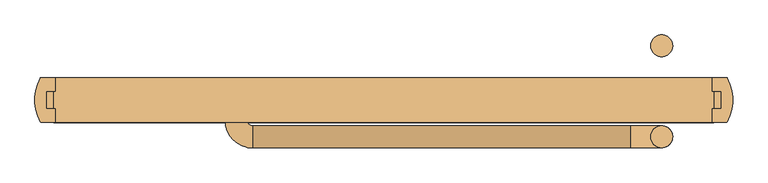
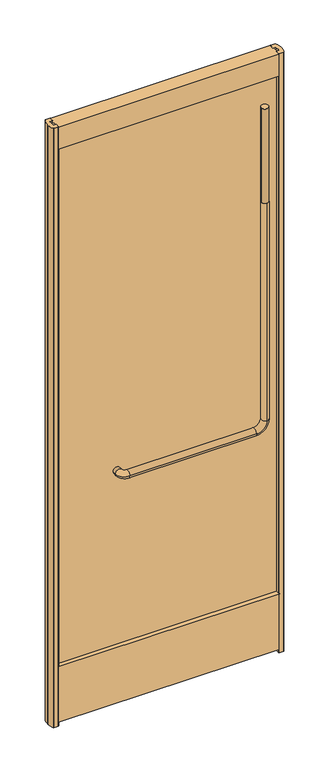
"""IFC4 building model written with IfcOpenShell, lengths in millimetres: door geometry."""

import ifcopenshell
import ifcopenshell.guid

model = None  # the IFC model being written
_history = None  # IfcOwnerHistory: only IFC2X3 demands one
_inside = {}  # id of a spatial element -> (the spatial element, [elements in it])
_under = {}  # id of a project, library or spatial element -> (it, [spatial elements below it])
_declared = {}  # id of a project -> (the project, [libraries it declares])
_typed = {}  # id of a type object -> (the type object, [elements of that type])
_made_of = {}  # id of a material, layer set ... -> (it, [elements and type objects made of it])


def new_model(schema):
    """Start an empty IFC model of exactly this schema.

    Asked for "IFC4X3", IfcOpenShell would pick the latest addendum, in which some entities
    have other attributes; the version numbers below select the first issue.
    IFC2X3 requires an IfcOwnerHistory on every rooted entity: one is made here for all.
    """
    global model, _history
    if schema == "IFC4X3":
        model = ifcopenshell.file(schema_version=(4, 3, 0, 0))
    else:
        model = ifcopenshell.file(schema=schema)
    _inside.clear()
    _under.clear()
    _declared.clear()
    _typed.clear()
    _made_of.clear()
    _history = None
    if model.schema == "IFC2X3":
        org = make("IfcOrganization", Name="unknown")
        user = make(
            "IfcPersonAndOrganization",
            ThePerson=make("IfcPerson", FamilyName="unknown"),
            TheOrganization=org,
        )
        app = make(
            "IfcApplication",
            ApplicationDeveloper=org,
            Version="unknown",
            ApplicationFullName="unknown",
            ApplicationIdentifier="unknown",
        )
        _history = make(
            "IfcOwnerHistory",
            OwningUser=user,
            OwningApplication=app,
            ChangeAction="ADDED",
            CreationDate=0,
        )
    return model


def make(cls, **values):
    """One entity of the class cls with the attributes given. An attribute that is None is left unset."""
    return model.create_entity(
        cls, **{name: value for name, value in values.items() if value is not None}
    )


def rooted(cls, **values):
    """An entity with a GlobalId (a new one), such as an element, a storey or a relation."""
    return make(cls, GlobalId=ifcopenshell.guid.new(), OwnerHistory=_history, **values)


def si_unit(unit_type, name, prefix=None):
    """IfcSIUnit, for example si_unit("LENGTHUNIT", "METRE", prefix="MILLI")."""
    return make("IfcSIUnit", UnitType=unit_type, Prefix=prefix, Name=name)


def assignment(units):
    """IfcUnitAssignment: the units of a project."""
    return None if units is None else make("IfcUnitAssignment", Units=units)


def point(xyz):
    """IfcCartesianPoint."""
    return None if xyz is None else make("IfcCartesianPoint", Coordinates=xyz)


def direction(xyz):
    """IfcDirection."""
    return None if xyz is None else make("IfcDirection", DirectionRatios=xyz)


def frame(location, z_axis=None, x_axis=None):
    """IfcAxis2Placement3D, a coordinate frame: its origin and axes. An axis left out is left unset."""
    return make(
        "IfcAxis2Placement3D",
        Location=point(location),
        Axis=direction(z_axis),
        RefDirection=direction(x_axis),
    )


def frame_2d(location, x_axis=None):
    """IfcAxis2Placement2D, a coordinate frame in the plane: its origin and x axis."""
    return make(
        "IfcAxis2Placement2D", Location=point(location), RefDirection=direction(x_axis)
    )


def origin():
    """The frame at (0, 0, 0) with its axes left unset."""
    return frame((0.0, 0.0, 0.0))


def origin_with_axes():
    """The frame at (0, 0, 0) with the z axis (0, 0, 1) and the x axis (1, 0, 0) written out."""
    return frame((0.0, 0.0, 0.0), z_axis=(0.0, 0.0, 1.0), x_axis=(1.0, 0.0, 0.0))


def place(relative_to, where):
    """IfcLocalPlacement: puts the frame where relative to a parent placement (None: the world)."""
    return make(
        "IfcLocalPlacement", PlacementRelTo=relative_to, RelativePlacement=where
    )


def context(
    kind, dimensions, precision=None, world=None, true_north=None, identifier=None
):
    """IfcGeometricRepresentationContext, for example the 3D "Model" context."""
    return make(
        "IfcGeometricRepresentationContext",
        ContextIdentifier=identifier,
        ContextType=kind,
        CoordinateSpaceDimension=dimensions,
        Precision=precision,
        WorldCoordinateSystem=world,
        TrueNorth=true_north,
    )


def project(units=None, contexts=None):
    """IfcProject with its units and contexts."""
    return rooted(
        "IfcProject",
        Name="project",
        RepresentationContexts=contexts,
        UnitsInContext=assignment(units),
    )


def spatial(cls, under=None, at=None, **own):
    """A site, building, storey or space (cls), placed at a placement, below another one or the project."""
    s = rooted(cls, ObjectPlacement=at, **own)
    if under is not None:
        _under.setdefault(under.id(), (under, []))[1].append(s)
    return s


def polyline(points):
    """IfcPolyline through the points."""
    return make("IfcPolyline", Points=[point(p) for p in points])


def circle_curve(where, radius):
    """IfcCircle in the frame where."""
    return make("IfcCircle", Position=where, Radius=radius)


def ellipse_curve(where, semi_axis1, semi_axis2):
    """IfcEllipse in the frame where."""
    return make(
        "IfcEllipse", Position=where, SemiAxis1=semi_axis1, SemiAxis2=semi_axis2
    )


def trimmed(basis, trim1, trim2, sense, master):
    """IfcTrimmedCurve: the piece of a basis curve between two trims."""
    return make(
        "IfcTrimmedCurve",
        BasisCurve=basis,
        Trim1=trim1,
        Trim2=trim2,
        SenseAgreement=sense,
        MasterRepresentation=master,
    )


def segment(curve, same_sense, transition):
    """IfcCompositeCurveSegment."""
    return make(
        "IfcCompositeCurveSegment",
        Transition=transition,
        SameSense=same_sense,
        ParentCurve=curve,
    )


def composite_curve(segments, self_intersect=None):
    """IfcCompositeCurve: segments joined end to end."""
    return make("IfcCompositeCurve", Segments=segments, SelfIntersect=self_intersect)


def outline(outer, holes=None, kind="AREA"):
    """IfcArbitraryClosedProfileDef: a profile drawn as a closed curve; with holes, ...WithVoids."""
    if holes is None:
        return make("IfcArbitraryClosedProfileDef", ProfileType=kind, OuterCurve=outer)
    return make(
        "IfcArbitraryProfileDefWithVoids",
        ProfileType=kind,
        OuterCurve=outer,
        InnerCurves=holes,
    )


def extrude(swept, where, along, depth):
    """IfcExtrudedAreaSolid: the profile swept, set in the frame where, extruded along a direction by depth."""
    return make(
        "IfcExtrudedAreaSolid",
        SweptArea=swept,
        Position=where,
        ExtrudedDirection=direction(along),
        Depth=depth,
    )


def shape(context_of_items, identifier, shape_type, items):
    """IfcShapeRepresentation: the items that make up one representation, for example the "Body"."""
    return make(
        "IfcShapeRepresentation",
        ContextOfItems=context_of_items,
        RepresentationIdentifier=identifier,
        RepresentationType=shape_type,
        Items=items,
    )


def source(mapping_origin, context_of_items, identifier, shape_type, items):
    """IfcRepresentationMap: a shape defined once, which mapped items show again and again."""
    return make(
        "IfcRepresentationMap",
        MappingOrigin=mapping_origin,
        MappedRepresentation=shape(context_of_items, identifier, shape_type, items),
    )


def transform(
    local_origin,
    x_axis=None,
    y_axis=None,
    z_axis=None,
    scale=None,
    scale2=None,
    scale3=None,
    uniform=True,
):
    """IfcCartesianTransformationOperator3D, or its non-uniform kind. x_axis, y_axis, z_axis: its Axis1, 2, 3."""
    if uniform:
        return make(
            "IfcCartesianTransformationOperator3D",
            Axis1=direction(x_axis),
            Axis2=direction(y_axis),
            LocalOrigin=point(local_origin),
            Scale=scale,
            Axis3=direction(z_axis),
        )
    return make(
        "IfcCartesianTransformationOperator3DnonUniform",
        Axis1=direction(x_axis),
        Axis2=direction(y_axis),
        LocalOrigin=point(local_origin),
        Scale=scale,
        Axis3=direction(z_axis),
        Scale2=scale2,
        Scale3=scale3,
    )


def mapped(mapping_source, mapping_target):
    """IfcMappedItem: shows the shape of a source again, moved by a transform."""
    return make(
        "IfcMappedItem", MappingSource=mapping_source, MappingTarget=mapping_target
    )


def made_of(thing, what):
    """Note that an element or type object is made of a material, layer set ...; save() writes the relation."""
    if what is not None:
        _made_of.setdefault(what.id(), (what, []))[1].append(thing)
    return thing


def element(
    cls,
    number,
    at=None,
    inside=None,
    cuts=None,
    type_object=None,
    material=None,
    context=None,
    identifier="Body",
    shape_type=None,
    held_by="IfcProductDefinitionShape",
    body=None,
    shapes=None,
    **own,
):
    """One element of the class cls, such as IfcWall. Its Tag is "e" and its number.

    at: its placement. inside: the storey or other place that contains it. cuts: it is an
    opening in that element (IfcRelVoidsElement). A single representation is given by context,
    identifier, shape_type and body (its items); several are given by shapes. held_by: the class
    of the entity that holds the representations. save() writes the other relations.
    """
    e = rooted(cls, Tag="e%d" % number, ObjectPlacement=at, **own)
    if body is not None:
        shapes = [shape(context, identifier, shape_type, body)]
    if shapes is not None:
        e.Representation = make(held_by, Representations=shapes)
    if inside is not None:
        _inside.setdefault(inside.id(), (inside, []))[1].append(e)
    if cuts is not None:
        rooted(
            "IfcRelVoidsElement", RelatingBuildingElement=cuts, RelatedOpeningElement=e
        )
    if type_object is not None:
        _typed.setdefault(type_object.id(), (type_object, []))[1].append(e)
    return made_of(e, material)


def aggregate(whole, parts):
    """IfcRelAggregates: a whole, such as a stair, and the parts it consists of."""
    return rooted("IfcRelAggregates", RelatingObject=whole, RelatedObjects=parts)


def save(model, path):
    """Write the relations noted so far, then the file.

    IfcRelAggregates (storeys below a building ...), IfcRelContainedInSpatialStructure (elements
    in a storey), IfcRelDefinesByType, IfcRelAssociatesMaterial and IfcRelDeclares: one each for
    every whole, place, type object, material and project.
    """
    for whole, parts in _under.values():
        aggregate(whole, parts)
    for where, things in _inside.values():
        rooted(
            "IfcRelContainedInSpatialStructure",
            RelatedElements=things,
            RelatingStructure=where,
        )
    for kind, things in _typed.values():
        rooted("IfcRelDefinesByType", RelatedObjects=things, RelatingType=kind)
    for what, things in _made_of.values():
        rooted("IfcRelAssociatesMaterial", RelatedObjects=things, RelatingMaterial=what)
    for by, libraries in _declared.values():
        rooted("IfcRelDeclares", RelatingContext=by, RelatedDefinitions=libraries)
    model.write(path)


def plane_surface(at):
    """IfcPlane: the flat surface through the origin of the frame at, square to its z axis."""
    return make("IfcPlane", Position=at)


def cylinder_surface(at, radius):
    """IfcCylindricalSurface: all points at the distance radius from the z axis of the frame at."""
    return make("IfcCylindricalSurface", Position=at, Radius=radius)


def revolved_surface(curve, axis_point, axis_direction):
    """IfcSurfaceOfRevolution: the curve turned about the line through axis_point along axis_direction."""
    return make(
        "IfcSurfaceOfRevolution",
        SweptCurve=make("IfcArbitraryOpenProfileDef", ProfileType="CURVE", Curve=curve),
        AxisPosition=make("IfcAxis1Placement", Location=point(axis_point), Axis=direction(axis_direction)),
    )


def advanced_brep(points, edges, surfaces, faces):
    """IfcAdvancedBrep: a solid bounded by faces that lie on surfaces and meet in shared edges.

    An edge is (start, end): straight between two places in points (the first is 0);
    or (start, end, curve); or (start, end, curve, False) where it runs against its curve.
    A face is (place in surfaces, loops), or (place, loops, False) where it looks against
    its surface's normal. A loop lists edges by number (the first is 1), with a minus sign
    where the edge is run from its end to its start. The first loop is the outer one.
    """
    corners = [point(p) for p in points]
    vertices = [make("IfcVertexPoint", VertexGeometry=c) for c in corners]
    made = []
    for start, end, *more in edges:
        made.append(
            make(
                "IfcEdgeCurve",
                EdgeStart=vertices[start],
                EdgeEnd=vertices[end],
                EdgeGeometry=more[0] if more else make("IfcPolyline", Points=[corners[start], corners[end]]),
                SameSense=more[1] if len(more) > 1 else True,
            )
        )
    hull = []
    for where, loops, *sense in faces:
        bounds = []
        for j, loop in enumerate(loops):
            ring = [make("IfcOrientedEdge", EdgeElement=made[abs(k) - 1], Orientation=k > 0) for k in loop]
            bounds.append(
                make(
                    "IfcFaceOuterBound" if j == 0 else "IfcFaceBound",
                    Bound=make("IfcEdgeLoop", EdgeList=ring),
                    Orientation=True,
                )
            )
        hull.append(make("IfcAdvancedFace", Bounds=bounds, FaceSurface=surfaces[where], SameSense=sense[0] if sense else True))
    return make("IfcAdvancedBrep", Outer=make("IfcClosedShell", CfsFaces=hull))


def door_9bfd4954(model_context):
    return source(origin(), model_context, "Body", "SolidModel", [
        extrude(outline(composite_curve([segment(trimmed(circle_curve(frame_2d((403.67585, -53.1813703)), 15.875), [point((387.80085, -53.1813703))], [point((419.55085, -53.1813703))], False, "CARTESIAN"), True, "CONTINUOUS"), segment(trimmed(circle_curve(frame_2d((403.67585, -53.1813703)), 15.875), [point((419.55085, -53.1813703))], [point((387.80085, -53.1813703))], False, "CARTESIAN"), True, "CONTINUOUS")], self_intersect=False)), frame((0.0, 0.0, 2108.2), z_axis=(0.0, 0.0, 1.0), x_axis=(1.0, 0.0, 0.0)), (0.0, 0.0, 1.0), 431.8),
        extrude(outline(composite_curve([segment(trimmed(circle_curve(frame_2d((403.67585, 78.58125)), 15.875), [point((387.80085, 78.58125))], [point((419.55085, 78.58125))], False, "CARTESIAN"), True, "CONTINUOUS"), segment(trimmed(circle_curve(frame_2d((403.67585, 78.58125)), 15.875), [point((419.55085, 78.58125))], [point((387.80085, 78.58125))], False, "CARTESIAN"), True, "CONTINUOUS")], self_intersect=False)), frame((0.0, 0.0, 104.5539297), z_axis=(0.0, 0.0, 1.0), x_axis=(1.0, 0.0, 0.0)), (0.0, 0.0, 1.0), 2435.4460703),
        advanced_brep(
        [(-190.4570099, -37.3063703, 1066.8), (359.22585, -37.3063703, 1066.8), (359.22585, -69.0563703, 1066.8), (-190.4570099, -69.0563703, 1066.8), (403.67585, -69.0563703, 1111.25), (403.67585, -37.3063703, 1111.25), (403.67585, -69.0563703, 2108.2), (403.67585, -37.3063703, 2108.2), (-198.5173808, 0.0, 1066.8), (-230.2673808, 0.0, 1066.8), (-230.2673808, -29.2459994, 1066.8), (-198.5173808, -29.2459994, 1066.8)],
        [
            (0, 1),
            (1, 2, circle_curve(frame((359.22585, -53.1813703, 1066.8), z_axis=(-1.0, 0.0, 0.0), x_axis=(0.0, -1.0, 0.0)), 15.875)),
            (2, 3),
            (3, 0, circle_curve(frame((-190.4570099, -53.1813703, 1066.8), z_axis=(1.0, 0.0, 0.0), x_axis=(0.0, -1.0, 0.0)), 15.875)),
            (4, 5, circle_curve(frame((403.67585, -53.1813703, 1111.25), z_axis=(0.0, 0.0, -1.0), x_axis=(0.0, -1.0, 0.0)), 15.875)),
            (5, 1, circle_curve(frame((359.22585, -37.3063703, 1111.25), z_axis=(0.0, 1.0, 0.0), x_axis=(0.0, 0.0, -1.0)), 44.45)),
            (1, 2, circle_curve(frame((359.22585, -53.1813703, 1066.8), z_axis=(1.0, 0.0, 0.0), x_axis=(0.0, -1.0, 0.0)), 15.875)),
            (2, 4, circle_curve(frame((359.22585, -69.0563703, 1111.25), z_axis=(0.0, -1.0, 0.0), x_axis=(0.0, 0.0, -1.0)), 44.45)),
            (4, 6),
            (6, 7, circle_curve(frame((403.67585, -53.1813703, 2108.2), z_axis=(0.0, 0.0, -1.0), x_axis=(0.0, -1.0, 0.0)), 15.875)),
            (7, 5),
            (7, 6, circle_curve(frame((403.67585, -53.1813703, 2108.2), z_axis=(0.0, 0.0, -1.0), x_axis=(0.0, -1.0, 0.0)), 15.875)),
            (4, 5, circle_curve(frame((403.67585, -53.1813703, 1111.25), z_axis=(0.0, 0.0, 1.0), x_axis=(0.0, -1.0, 0.0)), 15.875)),
            (8, 9, circle_curve(frame((-214.3923808, 0.0, 1066.8), z_axis=(0.0, 1.0, 0.0), x_axis=(-1.0, 0.0, 0.0)), 15.875)),
            (9, 8, circle_curve(frame((-214.3923808, 0.0, 1066.8), z_axis=(0.0, 1.0, 0.0), x_axis=(-1.0, 0.0, 0.0)), 15.875)),
            (9, 10),
            (10, 11, circle_curve(frame((-214.3923808, -29.2459994, 1066.8), z_axis=(0.0, 1.0, 0.0), x_axis=(-1.0, 0.0, 0.0)), 15.875)),
            (11, 8),
            (11, 10, circle_curve(frame((-214.3923808, -29.2459994, 1066.8), z_axis=(0.0, 1.0, 0.0), x_axis=(-1.0, 0.0, 0.0)), 15.875)),
            (3, 0, circle_curve(frame((-190.4570099, -53.1813703, 1066.8), z_axis=(-1.0, 0.0, 0.0), x_axis=(0.0, -1.0, 0.0)), 15.875)),
            (0, 11, circle_curve(frame((-190.4570099, -29.2459994, 1066.8), z_axis=(0.0, 0.0, -1.0), x_axis=(-1.0, 0.0, 0.0)), 8.0603709)),
            (10, 3, circle_curve(frame((-190.4570099, -29.2459994, 1066.8), z_axis=(0.0, 0.0, 1.0), x_axis=(-1.0, 0.0, 0.0)), 39.8103709)),
        ],
        [
            cylinder_surface(frame((-190.4570099, -53.1813703, 1066.8), z_axis=(-1.0, 0.0, 0.0), x_axis=(0.0, -1.0, 0.0)), 15.875),
            revolved_surface(trimmed(ellipse_curve(frame((359.22585, -53.1813703, 1066.8), z_axis=(1.0, 0.0, 0.0), x_axis=(0.0, -1.0, 0.0)), 15.875, 15.875), [point((359.22585, -37.3063703, 1066.8))], [point((359.22585, -69.0563703, 1066.8))], True, "CARTESIAN"), (359.22585, -53.18125, 1111.25), (0.0, 1.0, 0.0)),
            cylinder_surface(frame((403.67585, -53.1813703, 1111.25), z_axis=(0.0, 0.0, -1.0), x_axis=(0.0, -1.0, 0.0)), 15.875),
            plane_surface(frame((-230.2673808, 0.0, 1066.8), z_axis=(0.0, 1.0, 0.0), x_axis=(0.0, 0.0, 1.0))),
            plane_surface(frame((403.67585, -37.3061297, 2108.2), z_axis=(0.0, 0.0, 1.0), x_axis=(1.0, 0.0, 0.0))),
            cylinder_surface(frame((-214.3923808, 0.0, 1066.8), z_axis=(0.0, 1.0, 0.0), x_axis=(-1.0, 0.0, 0.0)), 15.875),
            revolved_surface(trimmed(ellipse_curve(frame((-214.3923808, -29.2459994, 1066.8), z_axis=(0.0, -1.0, 0.0), x_axis=(-1.0, 0.0, 0.0)), 15.875, 15.875), [point((-198.5173808, -29.2459994, 1066.8))], [point((-230.2673808, -29.2459994, 1066.8))], True, "CARTESIAN"), (-190.4570099, -29.2459994, 1066.8), (0.0, 0.0, -1.0)),
            revolved_surface(trimmed(ellipse_curve(frame((-214.3923808, -29.2459994, 1066.8), z_axis=(0.0, -1.0, 0.0), x_axis=(-1.0, 0.0, 0.0)), 15.875, 15.875), [point((-230.2673808, -29.2459994, 1066.8))], [point((-198.5173808, -29.2459994, 1066.8))], True, "CARTESIAN"), (-190.4570099, -29.2459994, 1066.8), (0.0, 0.0, -1.0)),
            revolved_surface(trimmed(ellipse_curve(frame((359.22585, -53.1813703, 1066.8), z_axis=(1.0, 0.0, 0.0), x_axis=(0.0, -1.0, 0.0)), 15.875, 15.875), [point((359.22585, -69.0563703, 1066.8))], [point((359.22585, -37.3063703, 1066.8))], True, "CARTESIAN"), (359.22585, -53.18125, 1111.25), (0.0, 1.0, 0.0)),
        ],
        [
            (0, [[1, 2, 3, 4]]),
            (1, [[5, 6, 7, 8]]),
            (2, [[9, 10, 11, -5]]),
            (2, [[-11, 12, -9, 13]]),
            (3, [[14, 15]]),
            (4, [[-10, -12]]),
            (5, [[16, 17, 18, -15]]),
            (5, [[-18, 19, -16, -14]]),
            (6, [[20, 21, -17, 22]]),
            (7, [[-4, -22, -19, -21]]),
            (0, [[-3, -7, -1, -20]]),
            (8, [[-13, -8, -2, -6]]),
        ],
    ),
        extrude(outline(composite_curve([segment(trimmed(circle_curve(frame_2d((497.488556, 30.6583726)), 1.7018), [point((497.488556, 32.3601726))], [point((498.9929538, 31.4539294))], False, "CARTESIAN"), True, "CONTINUOUS"), segment(trimmed(circle_curve(frame_2d((439.5131083, -0.0002496)), 67.2846), [point((498.9929538, 31.4539294))], [point((506.6949709, 3.7165681))], False, "CARTESIAN"), True, "CONTINUOUS"), segment(polyline([(506.6949709, 3.7165681), (506.6949709, -3.7165681)]), True, "CONTINUOUS"), segment(trimmed(circle_curve(frame_2d((439.5131083, 0.0002496)), 67.2846), [point((506.6949709, -3.7165681))], [point((498.9929538, -31.4539294))], False, "CARTESIAN"), True, "CONTINUOUS"), segment(trimmed(circle_curve(frame_2d((497.488556, -30.6583726)), 1.7018), [point((498.9929538, -31.4539294))], [point((497.488556, -32.3601726))], False, "CARTESIAN"), True, "CONTINUOUS"), segment(polyline([(497.488556, -32.3601726), (478.708965, -32.3601726)]), True, "CONTINUOUS"), segment(trimmed(circle_curve(frame_2d((478.708965, -30.6583726)), 1.7018), [point((478.708965, -32.3601726))], [point((477.007165, -30.6583726))], False, "CARTESIAN"), True, "CONTINUOUS"), segment(polyline([(477.007165, -30.6583726), (477.007165, -12.7), (490.0558733, -12.7), (490.0558733, 12.7), (477.007165, 12.7), (477.007165, 30.6583726)]), True, "CONTINUOUS"), segment(trimmed(circle_curve(frame_2d((478.708965, 30.6583726)), 1.7018), [point((477.007165, 30.6583726))], [point((478.708965, 32.3601726))], False, "CARTESIAN"), True, "CONTINUOUS"), segment(polyline([(478.708965, 32.3601726), (497.488556, 32.3601726)]), True, "CONTINUOUS")], self_intersect=False)), origin_with_axes(), (0.0, 0.0, 1.0), 2743.2),
        extrude(outline(composite_curve([segment(polyline([(-497.488556, 32.3601726), (-478.708965, 32.3601726)]), True, "CONTINUOUS"), segment(trimmed(circle_curve(frame_2d((-478.708965, 30.6583726)), 1.7018), [point((-478.708965, 32.3601726))], [point((-477.007165, 30.6583726))], False, "CARTESIAN"), True, "CONTINUOUS"), segment(polyline([(-477.007165, 30.6583726), (-477.007165, 12.7), (-490.0558733, 12.7), (-490.0558733, -12.7), (-477.007165, -12.7), (-477.007165, -30.6583726)]), True, "CONTINUOUS"), segment(trimmed(circle_curve(frame_2d((-478.708965, -30.6583726)), 1.7018), [point((-477.007165, -30.6583726))], [point((-478.708965, -32.3601726))], False, "CARTESIAN"), True, "CONTINUOUS"), segment(polyline([(-478.708965, -32.3601726), (-497.488556, -32.3601726)]), True, "CONTINUOUS"), segment(trimmed(circle_curve(frame_2d((-497.488556, -30.6583726)), 1.7018), [point((-497.488556, -32.3601726))], [point((-498.9929538, -31.4539294))], False, "CARTESIAN"), True, "CONTINUOUS"), segment(trimmed(circle_curve(frame_2d((-439.5131083, 0.0002496)), 67.2846), [point((-498.9929538, -31.4539294))], [point((-506.6949709, -3.7165681))], False, "CARTESIAN"), True, "CONTINUOUS"), segment(polyline([(-506.6949709, -3.7165681), (-506.6949709, 3.7165681)]), True, "CONTINUOUS"), segment(trimmed(circle_curve(frame_2d((-439.5131083, -0.0002496)), 67.2846), [point((-506.6949709, 3.7165681))], [point((-498.9929538, 31.4539294))], False, "CARTESIAN"), True, "CONTINUOUS"), segment(trimmed(circle_curve(frame_2d((-497.488556, 30.6583726)), 1.7018), [point((-498.9929538, 31.4539294))], [point((-497.488556, 32.3601726))], False, "CARTESIAN"), True, "CONTINUOUS")], self_intersect=False)), origin_with_axes(), (0.0, 0.0, 1.0), 2743.2),
        extrude(outline(polyline([(490.2242524, 12.7), (490.2242524, -12.7), (-490.0953812, -12.7), (-490.0953812, 12.7), (490.2242524, 12.7)])), frame((0.0, 0.0, 17.4625), z_axis=(0.0, 0.0, 1.0), x_axis=(1.0, 0.0, 0.0)), (0.0, 0.0, 1.0), 2636.8375),
        extrude(outline(polyline([(12.7, 271.4625), (32.3601726, 271.4625), (32.3601726, 17.4625), (-32.3601726, 17.4625), (-32.3601726, 271.4625), (-12.7, 271.4625), (-12.7, 258.7625), (12.7, 258.7625), (12.7, 271.4625)])), frame((-479.572565, 0.0, 0.0), z_axis=(1.0, 0.0, 0.0), x_axis=(0.0, 1.0, 0.0)), (0.0, 0.0, 1.0), 959.1451299),
        extrude(outline(polyline([(-32.3601726, 2743.2), (32.3601726, 2743.2), (32.3601726, 2641.6), (12.7, 2641.6), (12.7, 2654.3), (-12.7, 2654.3), (-12.7, 2641.6), (-32.3601726, 2641.6), (-32.3601726, 2743.2)])), frame((-479.572565, 0.0, 0.0), z_axis=(1.0, 0.0, 0.0), x_axis=(0.0, 1.0, 0.0)), (0.0, 0.0, 1.0), 959.1451299),
    ])


if __name__ == "__main__":
    model = new_model("IFC4")
    model_context = context("Model", 3, world=origin())
    ifc_project = project(units=[si_unit("LENGTHUNIT", "METRE", prefix="MILLI")], contexts=[model_context])
    site = spatial("IfcSite", under=ifc_project)
    building = spatial("IfcBuilding", under=site)
    placement = place(None, origin())
    door_shape = door_9bfd4954(model_context)
    element("IfcDoor", 1, at=placement, inside=building, context=model_context, shape_type="MappedRepresentation", body=[
        mapped(door_shape, transform((0.0, 0.0, 0.0), x_axis=(1.0, 0.0, 0.0), y_axis=(0.0, 1.0, 0.0), z_axis=(0.0, 0.0, 1.0))),
    ])
    save(model, "model.ifc")
